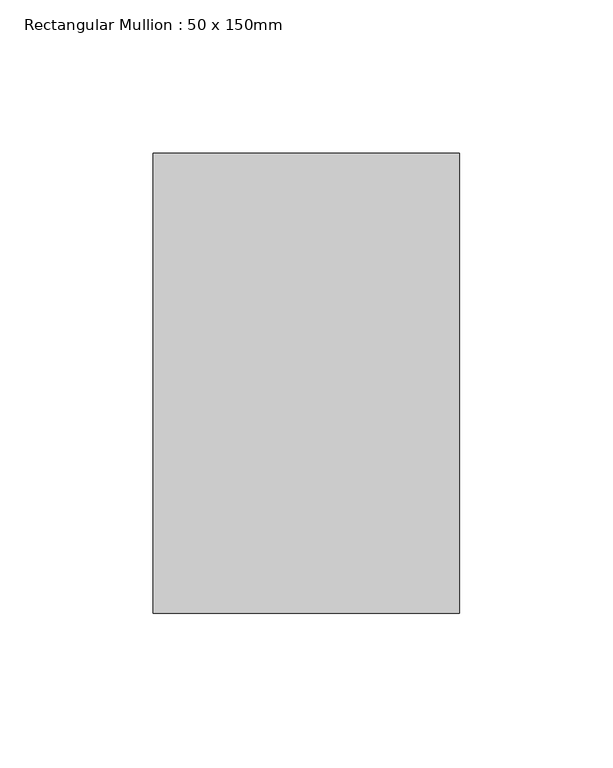
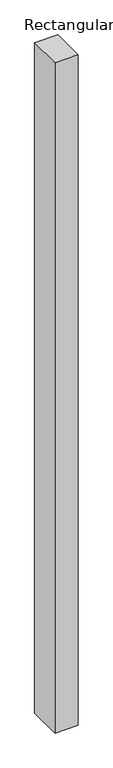
"""IFC4 building model written with IfcOpenShell, lengths in millimetres: member geometry, Rectangular Mullion : 50 x 150mm."""

from ifc_helpers import new_model, si_unit, frame, origin, place, context, project, spatial, polyline, outline, extrude, source, transform, mapped, element, save


def rectangular_mullion_50_x_150mm_3e5cc1b6(model_context):
    return source(origin(), model_context, "Body", "SweptSolid", [
        extrude(outline(polyline([(0.0, 75.0), (0.0, -75.0), (-100.0, -75.0), (-100.0, 75.0), (0.0, 75.0)])), frame((0.0, 0.0, -3051.4948392), z_axis=(0.0, 0.0, 1.0), x_axis=(1.0, 0.0, 0.0)), (0.0, 0.0, 1.0), 3051.4948392),
    ])


if __name__ == "__main__":
    model = new_model("IFC4")
    model_context = context("Model", 3, world=origin())
    ifc_project = project(units=[si_unit("LENGTHUNIT", "METRE", prefix="MILLI")], contexts=[model_context])
    site = spatial("IfcSite", under=ifc_project)
    building = spatial("IfcBuilding", under=site)
    placement = place(None, origin())
    rectangular_mullion_50_x_150mm_shape = rectangular_mullion_50_x_150mm_3e5cc1b6(model_context)
    element("IfcMember", 1, ObjectType="Rectangular Mullion : 50 x 150mm", at=placement, inside=building, context=model_context, shape_type="MappedRepresentation", body=[
        mapped(rectangular_mullion_50_x_150mm_shape, transform((0.0, 0.0, 0.0), x_axis=(1.0, 0.0, 0.0), y_axis=(0.0, 1.0, 0.0), z_axis=(0.0, 0.0, 1.0))),
    ])
    save(model, "model.ifc")
